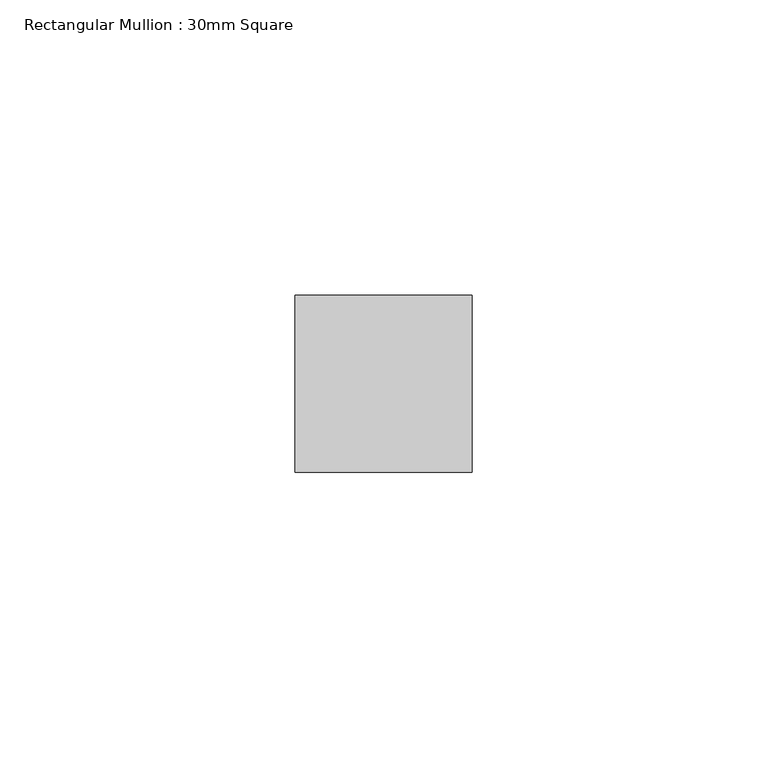
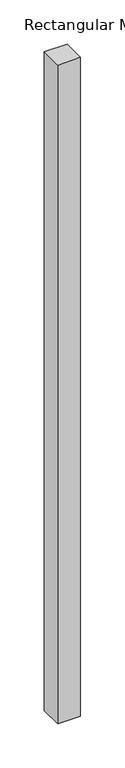
"""IFC4 building model written with IfcOpenShell, lengths in millimetres: member geometry, Rectangular Mullion : 30mm Square."""

from ifc_helpers import new_model, si_unit, frame, origin, place, context, project, spatial, polyline, outline, extrude, source, transform, mapped, element, save


def rectangular_mullion_30mm_square_0fb8923a(model_context):
    return source(origin(), model_context, "Body", "SweptSolid", [
        extrude(outline(polyline([(15.0, 15.0), (15.0, -15.0), (-15.0, -15.0), (-15.0, 15.0), (15.0, 15.0)])), frame((0.0, 0.0, -908.9246058), z_axis=(0.0, 0.0, 1.0), x_axis=(1.0, 0.0, 0.0)), (0.0, 0.0, 1.0), 908.9246058),
    ])


if __name__ == "__main__":
    model = new_model("IFC4")
    model_context = context("Model", 3, world=origin())
    ifc_project = project(units=[si_unit("LENGTHUNIT", "METRE", prefix="MILLI")], contexts=[model_context])
    site = spatial("IfcSite", under=ifc_project)
    building = spatial("IfcBuilding", under=site)
    placement = place(None, origin())
    rectangular_mullion_30mm_square_shape = rectangular_mullion_30mm_square_0fb8923a(model_context)
    element("IfcMember", 1, ObjectType="Rectangular Mullion : 30mm Square", at=placement, inside=building, context=model_context, shape_type="MappedRepresentation", body=[
        mapped(rectangular_mullion_30mm_square_shape, transform((0.0, 0.0, 0.0), x_axis=(1.0, 0.0, 0.0), y_axis=(0.0, 1.0, 0.0), z_axis=(0.0, 0.0, 1.0))),
    ])
    save(model, "model.ifc")
